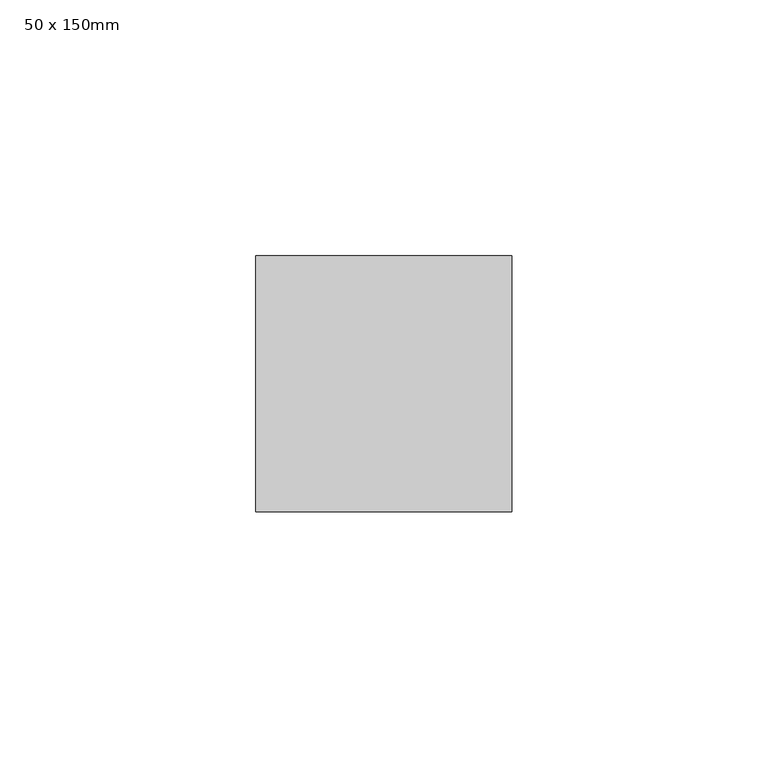
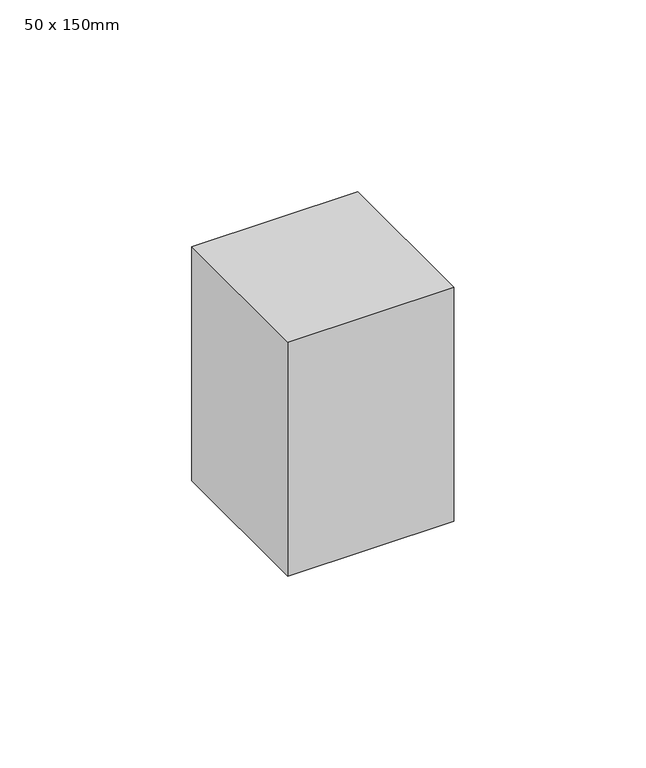
"""IFC4 building model written with IfcOpenShell, lengths in millimetres: member geometry, 50 x 150mm."""

from ifc_helpers import new_model, si_unit, frame, origin, place, context, project, spatial, polyline, outline, extrude, source, transform, mapped, element, save


def member_50_x_150mm_f51578b7(model_context):
    return source(origin(), model_context, "Body", "SweptSolid", [
        extrude(outline(polyline([(25.0, 25.0), (25.0, -25.0), (-25.0, -25.0), (-25.0, 25.0), (25.0, 25.0)])), frame((0.0, 0.0, -74.5117464), z_axis=(0.0, 0.0, 1.0), x_axis=(1.0, 0.0, 0.0)), (0.0, 0.0, 1.0), 74.5117464),
    ])


if __name__ == "__main__":
    model = new_model("IFC4")
    model_context = context("Model", 3, world=origin())
    ifc_project = project(units=[si_unit("LENGTHUNIT", "METRE", prefix="MILLI")], contexts=[model_context])
    site = spatial("IfcSite", under=ifc_project)
    building = spatial("IfcBuilding", under=site)
    placement = place(None, origin())
    member_50_x_150mm_shape = member_50_x_150mm_f51578b7(model_context)
    element("IfcMember", 1, ObjectType="50 x 150mm", at=placement, inside=building, context=model_context, shape_type="MappedRepresentation", body=[
        mapped(member_50_x_150mm_shape, transform((0.0, 0.0, 0.0), x_axis=(1.0, 0.0, 0.0), y_axis=(0.0, 1.0, 0.0), z_axis=(0.0, 0.0, 1.0))),
    ])
    save(model, "model.ifc")
